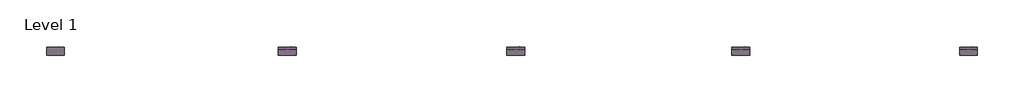
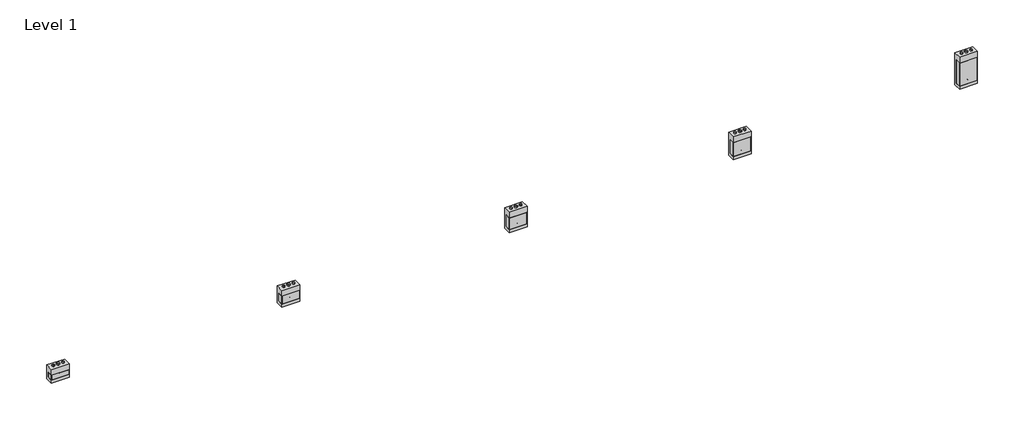
# One storey: 20 proxies.
"""IFC4 building model written with IfcOpenShell, lengths in millimetres."""

import ifcopenshell
import ifcopenshell.guid

model = None  # the IFC model being written
_history = None  # IfcOwnerHistory: only IFC2X3 demands one
_inside = {}  # id of a spatial element -> (the spatial element, [elements in it])
_under = {}  # id of a project, library or spatial element -> (it, [spatial elements below it])
_declared = {}  # id of a project -> (the project, [libraries it declares])
_typed = {}  # id of a type object -> (the type object, [elements of that type])
_made_of = {}  # id of a material, layer set ... -> (it, [elements and type objects made of it])


def new_model(schema):
    """Start an empty IFC model of exactly this schema.

    Asked for "IFC4X3", IfcOpenShell would pick the latest addendum, in which some entities
    have other attributes; the version numbers below select the first issue.
    IFC2X3 requires an IfcOwnerHistory on every rooted entity: one is made here for all.
    """
    global model, _history
    if schema == "IFC4X3":
        model = ifcopenshell.file(schema_version=(4, 3, 0, 0))
    else:
        model = ifcopenshell.file(schema=schema)
    _inside.clear()
    _under.clear()
    _declared.clear()
    _typed.clear()
    _made_of.clear()
    _history = None
    if model.schema == "IFC2X3":
        org = make("IfcOrganization", Name="unknown")
        user = make(
            "IfcPersonAndOrganization",
            ThePerson=make("IfcPerson", FamilyName="unknown"),
            TheOrganization=org,
        )
        app = make(
            "IfcApplication",
            ApplicationDeveloper=org,
            Version="unknown",
            ApplicationFullName="unknown",
            ApplicationIdentifier="unknown",
        )
        _history = make(
            "IfcOwnerHistory",
            OwningUser=user,
            OwningApplication=app,
            ChangeAction="ADDED",
            CreationDate=0,
        )
    return model


def make(cls, **values):
    """One entity of the class cls with the attributes given. An attribute that is None is left unset."""
    return model.create_entity(
        cls, **{name: value for name, value in values.items() if value is not None}
    )


def rooted(cls, **values):
    """An entity with a GlobalId (a new one), such as an element, a storey or a relation."""
    return make(cls, GlobalId=ifcopenshell.guid.new(), OwnerHistory=_history, **values)


def si_unit(unit_type, name, prefix=None):
    """IfcSIUnit, for example si_unit("LENGTHUNIT", "METRE", prefix="MILLI")."""
    return make("IfcSIUnit", UnitType=unit_type, Prefix=prefix, Name=name)


def assignment(units):
    """IfcUnitAssignment: the units of a project."""
    return None if units is None else make("IfcUnitAssignment", Units=units)


def point(xyz):
    """IfcCartesianPoint."""
    return None if xyz is None else make("IfcCartesianPoint", Coordinates=xyz)


def direction(xyz):
    """IfcDirection."""
    return None if xyz is None else make("IfcDirection", DirectionRatios=xyz)


def frame(location, z_axis=None, x_axis=None):
    """IfcAxis2Placement3D, a coordinate frame: its origin and axes. An axis left out is left unset."""
    return make(
        "IfcAxis2Placement3D",
        Location=point(location),
        Axis=direction(z_axis),
        RefDirection=direction(x_axis),
    )


def frame_2d(location, x_axis=None):
    """IfcAxis2Placement2D, a coordinate frame in the plane: its origin and x axis."""
    return make(
        "IfcAxis2Placement2D", Location=point(location), RefDirection=direction(x_axis)
    )


def origin():
    """The frame at (0, 0, 0) with its axes left unset."""
    return frame((0.0, 0.0, 0.0))


def origin_with_axes():
    """The frame at (0, 0, 0) with the z axis (0, 0, 1) and the x axis (1, 0, 0) written out."""
    return frame((0.0, 0.0, 0.0), z_axis=(0.0, 0.0, 1.0), x_axis=(1.0, 0.0, 0.0))


def origin_2d():
    """The frame at (0, 0) in the plane with its x axis left unset."""
    return frame_2d((0.0, 0.0))


def place(relative_to, where):
    """IfcLocalPlacement: puts the frame where relative to a parent placement (None: the world)."""
    return make(
        "IfcLocalPlacement", PlacementRelTo=relative_to, RelativePlacement=where
    )


def context(
    kind, dimensions, precision=None, world=None, true_north=None, identifier=None
):
    """IfcGeometricRepresentationContext, for example the 3D "Model" context."""
    return make(
        "IfcGeometricRepresentationContext",
        ContextIdentifier=identifier,
        ContextType=kind,
        CoordinateSpaceDimension=dimensions,
        Precision=precision,
        WorldCoordinateSystem=world,
        TrueNorth=true_north,
    )


def project(units=None, contexts=None):
    """IfcProject with its units and contexts."""
    return rooted(
        "IfcProject",
        Name="project",
        RepresentationContexts=contexts,
        UnitsInContext=assignment(units),
    )


def spatial(cls, under=None, at=None, **own):
    """A site, building, storey or space (cls), placed at a placement, below another one or the project."""
    s = rooted(cls, ObjectPlacement=at, **own)
    if under is not None:
        _under.setdefault(under.id(), (under, []))[1].append(s)
    return s


def polyline(points):
    """IfcPolyline through the points."""
    return make("IfcPolyline", Points=[point(p) for p in points])


def circle_curve(where, radius):
    """IfcCircle in the frame where."""
    return make("IfcCircle", Position=where, Radius=radius)


def trimmed(basis, trim1, trim2, sense, master):
    """IfcTrimmedCurve: the piece of a basis curve between two trims."""
    return make(
        "IfcTrimmedCurve",
        BasisCurve=basis,
        Trim1=trim1,
        Trim2=trim2,
        SenseAgreement=sense,
        MasterRepresentation=master,
    )


def segment(curve, same_sense, transition):
    """IfcCompositeCurveSegment."""
    return make(
        "IfcCompositeCurveSegment",
        Transition=transition,
        SameSense=same_sense,
        ParentCurve=curve,
    )


def composite_curve(segments, self_intersect=None):
    """IfcCompositeCurve: segments joined end to end."""
    return make("IfcCompositeCurve", Segments=segments, SelfIntersect=self_intersect)


def outline(outer, holes=None, kind="AREA"):
    """IfcArbitraryClosedProfileDef: a profile drawn as a closed curve; with holes, ...WithVoids."""
    if holes is None:
        return make("IfcArbitraryClosedProfileDef", ProfileType=kind, OuterCurve=outer)
    return make(
        "IfcArbitraryProfileDefWithVoids",
        ProfileType=kind,
        OuterCurve=outer,
        InnerCurves=holes,
    )


def extrude(swept, where, along, depth):
    """IfcExtrudedAreaSolid: the profile swept, set in the frame where, extruded along a direction by depth."""
    return make(
        "IfcExtrudedAreaSolid",
        SweptArea=swept,
        Position=where,
        ExtrudedDirection=direction(along),
        Depth=depth,
    )


def shape(context_of_items, identifier, shape_type, items):
    """IfcShapeRepresentation: the items that make up one representation, for example the "Body"."""
    return make(
        "IfcShapeRepresentation",
        ContextOfItems=context_of_items,
        RepresentationIdentifier=identifier,
        RepresentationType=shape_type,
        Items=items,
    )


def source(mapping_origin, context_of_items, identifier, shape_type, items):
    """IfcRepresentationMap: a shape defined once, which mapped items show again and again."""
    return make(
        "IfcRepresentationMap",
        MappingOrigin=mapping_origin,
        MappedRepresentation=shape(context_of_items, identifier, shape_type, items),
    )


def transform(
    local_origin,
    x_axis=None,
    y_axis=None,
    z_axis=None,
    scale=None,
    scale2=None,
    scale3=None,
    uniform=True,
):
    """IfcCartesianTransformationOperator3D, or its non-uniform kind. x_axis, y_axis, z_axis: its Axis1, 2, 3."""
    if uniform:
        return make(
            "IfcCartesianTransformationOperator3D",
            Axis1=direction(x_axis),
            Axis2=direction(y_axis),
            LocalOrigin=point(local_origin),
            Scale=scale,
            Axis3=direction(z_axis),
        )
    return make(
        "IfcCartesianTransformationOperator3DnonUniform",
        Axis1=direction(x_axis),
        Axis2=direction(y_axis),
        LocalOrigin=point(local_origin),
        Scale=scale,
        Axis3=direction(z_axis),
        Scale2=scale2,
        Scale3=scale3,
    )


def mapped(mapping_source, mapping_target):
    """IfcMappedItem: shows the shape of a source again, moved by a transform."""
    return make(
        "IfcMappedItem", MappingSource=mapping_source, MappingTarget=mapping_target
    )


def made_of(thing, what):
    """Note that an element or type object is made of a material, layer set ...; save() writes the relation."""
    if what is not None:
        _made_of.setdefault(what.id(), (what, []))[1].append(thing)
    return thing


def element(
    cls,
    number,
    at=None,
    inside=None,
    cuts=None,
    type_object=None,
    material=None,
    context=None,
    identifier="Body",
    shape_type=None,
    held_by="IfcProductDefinitionShape",
    body=None,
    shapes=None,
    **own,
):
    """One element of the class cls, such as IfcWall. Its Tag is "e" and its number.

    at: its placement. inside: the storey or other place that contains it. cuts: it is an
    opening in that element (IfcRelVoidsElement). A single representation is given by context,
    identifier, shape_type and body (its items); several are given by shapes. held_by: the class
    of the entity that holds the representations. save() writes the other relations.
    """
    e = rooted(cls, Tag="e%d" % number, ObjectPlacement=at, **own)
    if body is not None:
        shapes = [shape(context, identifier, shape_type, body)]
    if shapes is not None:
        e.Representation = make(held_by, Representations=shapes)
    if inside is not None:
        _inside.setdefault(inside.id(), (inside, []))[1].append(e)
    if cuts is not None:
        rooted(
            "IfcRelVoidsElement", RelatingBuildingElement=cuts, RelatedOpeningElement=e
        )
    if type_object is not None:
        _typed.setdefault(type_object.id(), (type_object, []))[1].append(e)
    return made_of(e, material)


def aggregate(whole, parts):
    """IfcRelAggregates: a whole, such as a stair, and the parts it consists of."""
    return rooted("IfcRelAggregates", RelatingObject=whole, RelatedObjects=parts)


def save(model, path):
    """Write the relations noted so far, then the file.

    IfcRelAggregates (storeys below a building ...), IfcRelContainedInSpatialStructure (elements
    in a storey), IfcRelDefinesByType, IfcRelAssociatesMaterial and IfcRelDeclares: one each for
    every whole, place, type object, material and project.
    """
    for whole, parts in _under.values():
        aggregate(whole, parts)
    for where, things in _inside.values():
        rooted(
            "IfcRelContainedInSpatialStructure",
            RelatedElements=things,
            RelatingStructure=where,
        )
    for kind, things in _typed.values():
        rooted("IfcRelDefinesByType", RelatedObjects=things, RelatingType=kind)
    for what, things in _made_of.values():
        rooted("IfcRelAssociatesMaterial", RelatedObjects=things, RelatingMaterial=what)
    for by, libraries in _declared.values():
        rooted("IfcRelDeclares", RelatingContext=by, RelatedDefinitions=libraries)
    model.write(path)


def as_specified_68eb8ec0(model_context):
    return source(origin(), model_context, "Body", "SweptSolid", [
        extrude(outline(composite_curve([segment(trimmed(circle_curve(frame_2d((237.2125, -499.275)), 10.5), [point((237.2125, -509.775))], [point((237.2125, -488.775))], False, "CARTESIAN"), True, "CONTINUOUS"), segment(trimmed(circle_curve(frame_2d((237.2125, -499.275)), 10.5), [point((237.2125, -488.775))], [point((237.2125, -509.775))], False, "CARTESIAN"), True, "CONTINUOUS")], self_intersect=False)), frame((0.0, 0.0, -562.225), z_axis=(0.0, 0.0, 1.0), x_axis=(1.0, 0.0, 0.0)), (0.0, 0.0, 1.0), 32.0),
        extrude(outline(polyline([(-551.65625, -342.9), (-557.2125, -342.9), (-557.2125, 165.1), (-551.65625, 165.1), (-551.65625, -342.9)])), frame((0.0, 0.0, -39.6875), z_axis=(0.0, 0.0, 1.0), x_axis=(1.0, 0.0, 0.0)), (0.0, 0.0, 1.0), 14.2875),
        extrude(outline(polyline([(553.24375, 165.1), (557.2125, 165.1), (557.2125, -342.9), (553.24375, -342.9), (553.24375, 165.1)])), frame((0.0, 0.0, -39.6875), z_axis=(0.0, 0.0, 1.0), x_axis=(1.0, 0.0, 0.0)), (0.0, 0.0, 1.0), 14.2875),
        extrude(outline(polyline([(557.2125, 165.1), (557.2125, -342.9), (-557.2125, -342.9), (-557.2125, 165.1), (557.2125, 165.1)])), frame((0.0, 0.0, -373.0625), z_axis=(0.0, 0.0, 1.0), x_axis=(1.0, 0.0, 0.0)), (0.0, 0.0, 1.0), 347.6625),
        extrude(outline(polyline([(549.275, -25.4), (549.275, -530.225), (-549.275, -530.225), (-549.275, -25.4), (-342.9, -25.4), (-342.9, -373.0625), (165.1, -373.0625), (165.1, -25.4), (549.275, -25.4)])), frame((-557.2125, 0.0, 0.0), z_axis=(1.0, 0.0, 0.0), x_axis=(0.0, 1.0, 0.0)), (0.0, 0.0, 1.0), 1114.425),
    ])


def as_specified_2bb45d24(model_context):
    return source(origin(), model_context, "Body", "SweptSolid", [
        extrude(outline(composite_curve([segment(trimmed(circle_curve(frame_2d((237.2125, -626.275)), 10.5), [point((237.2125, -636.775))], [point((237.2125, -615.775))], False, "CARTESIAN"), True, "CONTINUOUS"), segment(trimmed(circle_curve(frame_2d((237.2125, -626.275)), 10.5), [point((237.2125, -615.775))], [point((237.2125, -636.775))], False, "CARTESIAN"), True, "CONTINUOUS")], self_intersect=False)), frame((0.0, 0.0, -562.225), z_axis=(0.0, 0.0, 1.0), x_axis=(1.0, 0.0, 0.0)), (0.0, 0.0, 1.0), 32.0),
        extrude(outline(polyline([(-551.65625, -469.9), (-557.2125, -469.9), (-557.2125, 292.1), (-551.65625, 292.1), (-551.65625, -469.9)])), frame((0.0, 0.0, -39.6875), z_axis=(0.0, 0.0, 1.0), x_axis=(1.0, 0.0, 0.0)), (0.0, 0.0, 1.0), 14.2875),
        extrude(outline(polyline([(553.24375, 292.1), (557.2125, 292.1), (557.2125, -469.9), (553.24375, -469.9), (553.24375, 292.1)])), frame((0.0, 0.0, -39.6875), z_axis=(0.0, 0.0, 1.0), x_axis=(1.0, 0.0, 0.0)), (0.0, 0.0, 1.0), 14.2875),
        extrude(outline(polyline([(557.2125, 292.1), (557.2125, -469.9), (-557.2125, -469.9), (-557.2125, 292.1), (557.2125, 292.1)])), frame((0.0, 0.0, -373.0625), z_axis=(0.0, 0.0, 1.0), x_axis=(1.0, 0.0, 0.0)), (0.0, 0.0, 1.0), 347.6625),
        extrude(outline(polyline([(676.275, -25.4), (676.275, -530.225), (-676.275, -530.225), (-676.275, -25.4), (-469.9, -25.4), (-469.9, -373.0625), (292.1, -373.0625), (292.1, -25.4), (676.275, -25.4)])), frame((-557.2125, 0.0, 0.0), z_axis=(1.0, 0.0, 0.0), x_axis=(0.0, 1.0, 0.0)), (0.0, 0.0, 1.0), 1114.425),
    ])


def as_specified_635137a2(model_context):
    return source(origin(), model_context, "Body", "SweptSolid", [
        extrude(outline(composite_curve([segment(trimmed(circle_curve(frame_2d((237.2125, -702.475)), 10.5), [point((237.2125, -712.975))], [point((237.2125, -691.975))], False, "CARTESIAN"), True, "CONTINUOUS"), segment(trimmed(circle_curve(frame_2d((237.2125, -702.475)), 10.5), [point((237.2125, -691.975))], [point((237.2125, -712.975))], False, "CARTESIAN"), True, "CONTINUOUS")], self_intersect=False)), frame((0.0, 0.0, -562.225), z_axis=(0.0, 0.0, 1.0), x_axis=(1.0, 0.0, 0.0)), (0.0, 0.0, 1.0), 32.0),
        extrude(outline(polyline([(-551.65625, -546.1), (-557.2125, -546.1), (-557.2125, 368.3), (-551.65625, 368.3), (-551.65625, -546.1)])), frame((0.0, 0.0, -39.6875), z_axis=(0.0, 0.0, 1.0), x_axis=(1.0, 0.0, 0.0)), (0.0, 0.0, 1.0), 14.2875),
        extrude(outline(polyline([(553.24375, 368.3), (557.2125, 368.3), (557.2125, -546.1), (553.24375, -546.1), (553.24375, 368.3)])), frame((0.0, 0.0, -39.6875), z_axis=(0.0, 0.0, 1.0), x_axis=(1.0, 0.0, 0.0)), (0.0, 0.0, 1.0), 14.2875),
        extrude(outline(polyline([(557.2125, 368.3), (557.2125, -546.1), (-557.2125, -546.1), (-557.2125, 368.3), (557.2125, 368.3)])), frame((0.0, 0.0, -373.0625), z_axis=(0.0, 0.0, 1.0), x_axis=(1.0, 0.0, 0.0)), (0.0, 0.0, 1.0), 347.6625),
        extrude(outline(polyline([(752.475, -25.4), (752.475, -530.225), (-752.475, -530.225), (-752.475, -25.4), (-546.1, -25.4), (-546.1, -373.0625), (368.3, -373.0625), (368.3, -25.4), (752.475, -25.4)])), frame((-557.2125, 0.0, 0.0), z_axis=(1.0, 0.0, 0.0), x_axis=(0.0, 1.0, 0.0)), (0.0, 0.0, 1.0), 1114.425),
    ])


def as_specified_15f69afd(model_context):
    return source(origin(), model_context, "Body", "SweptSolid", [
        extrude(outline(composite_curve([segment(trimmed(circle_curve(frame_2d((237.2125, -1007.275)), 10.5), [point((237.2125, -1017.775))], [point((237.2125, -996.775))], False, "CARTESIAN"), True, "CONTINUOUS"), segment(trimmed(circle_curve(frame_2d((237.2125, -1007.275)), 10.5), [point((237.2125, -996.775))], [point((237.2125, -1017.775))], False, "CARTESIAN"), True, "CONTINUOUS")], self_intersect=False)), frame((0.0, 0.0, -562.225), z_axis=(0.0, 0.0, 1.0), x_axis=(1.0, 0.0, 0.0)), (0.0, 0.0, 1.0), 32.0),
        extrude(outline(polyline([(-551.65625, -850.9), (-557.2125, -850.9), (-557.2125, 673.1), (-551.65625, 673.1), (-551.65625, -850.9)])), frame((0.0, 0.0, -39.6875), z_axis=(0.0, 0.0, 1.0), x_axis=(1.0, 0.0, 0.0)), (0.0, 0.0, 1.0), 14.2875),
        extrude(outline(polyline([(553.24375, 673.1), (557.2125, 673.1), (557.2125, -850.9), (553.24375, -850.9), (553.24375, 673.1)])), frame((0.0, 0.0, -39.6875), z_axis=(0.0, 0.0, 1.0), x_axis=(1.0, 0.0, 0.0)), (0.0, 0.0, 1.0), 14.2875),
        extrude(outline(polyline([(557.2125, 673.1), (557.2125, -850.9), (-557.2125, -850.9), (-557.2125, 673.1), (557.2125, 673.1)])), frame((0.0, 0.0, -373.0625), z_axis=(0.0, 0.0, 1.0), x_axis=(1.0, 0.0, 0.0)), (0.0, 0.0, 1.0), 347.6625),
        extrude(outline(polyline([(1057.275, -25.4), (1057.275, -530.225), (-1057.275, -530.225), (-1057.275, -25.4), (-850.9, -25.4), (-850.9, -373.0625), (673.1, -373.0625), (673.1, -25.4), (1057.275, -25.4)])), frame((-557.2125, 0.0, 0.0), z_axis=(1.0, 0.0, 0.0), x_axis=(0.0, 1.0, 0.0)), (0.0, 0.0, 1.0), 1114.425),
    ])


def as_specified_41e3f3b3(model_context):
    return source(origin(), model_context, "Body", "SweptSolid", [
        extrude(outline(composite_curve([segment(trimmed(circle_curve(frame_2d((237.2125, -397.675)), 10.5), [point((237.2125, -408.175))], [point((237.2125, -387.175))], False, "CARTESIAN"), True, "CONTINUOUS"), segment(trimmed(circle_curve(frame_2d((237.2125, -397.675)), 10.5), [point((237.2125, -387.175))], [point((237.2125, -408.175))], False, "CARTESIAN"), True, "CONTINUOUS")], self_intersect=False)), frame((0.0, 0.0, -562.225), z_axis=(0.0, 0.0, 1.0), x_axis=(1.0, 0.0, 0.0)), (0.0, 0.0, 1.0), 32.0),
        extrude(outline(polyline([(-551.65625, -241.3), (-557.2125, -241.3), (-557.2125, 63.5), (-551.65625, 63.5), (-551.65625, -241.3)])), frame((0.0, 0.0, -39.6875), z_axis=(0.0, 0.0, 1.0), x_axis=(1.0, 0.0, 0.0)), (0.0, 0.0, 1.0), 14.2875),
        extrude(outline(polyline([(553.24375, 63.5), (557.2125, 63.5), (557.2125, -241.3), (553.24375, -241.3), (553.24375, 63.5)])), frame((0.0, 0.0, -39.6875), z_axis=(0.0, 0.0, 1.0), x_axis=(1.0, 0.0, 0.0)), (0.0, 0.0, 1.0), 14.2875),
        extrude(outline(polyline([(557.2125, 63.5), (557.2125, -241.3), (-557.2125, -241.3), (-557.2125, 63.5), (557.2125, 63.5)])), frame((0.0, 0.0, -373.0625), z_axis=(0.0, 0.0, 1.0), x_axis=(1.0, 0.0, 0.0)), (0.0, 0.0, 1.0), 347.6625),
        extrude(outline(polyline([(447.675, -25.4), (447.675, -530.225), (-447.675, -530.225), (-447.675, -25.4), (-241.3, -25.4), (-241.3, -373.0625), (63.5, -373.0625), (63.5, -25.4), (447.675, -25.4)])), frame((-557.2125, 0.0, 0.0), z_axis=(1.0, 0.0, 0.0), x_axis=(0.0, 1.0, 0.0)), (0.0, 0.0, 1.0), 1114.425),
    ])


def proxy_6335ccae(model_context):
    return source(origin(), model_context, "Body", "SweptSolid", [
        extrude(outline(composite_curve([segment(trimmed(circle_curve(origin_2d(), 74.6125), [point((-74.6125, 0.0))], [point((74.6125, 0.0))], False, "CARTESIAN"), True, "CONTINUOUS"), segment(trimmed(circle_curve(origin_2d(), 74.6125), [point((74.6125, 0.0))], [point((-74.6125, 0.0))], False, "CARTESIAN"), True, "CONTINUOUS")], self_intersect=False), holes=[composite_curve([segment(trimmed(circle_curve(origin_2d(), 73.025), [point((-73.025, 0.0))], [point((73.025, 0.0))], True, "CARTESIAN"), True, "CONTINUOUS"), segment(trimmed(circle_curve(origin_2d(), 73.025), [point((73.025, 0.0))], [point((-73.025, 0.0))], True, "CARTESIAN"), True, "CONTINUOUS")], self_intersect=False)]), origin_with_axes(), (0.0, 0.0, 1.0), 76.2),
    ])


def proxy_fb1aceb7(model_context):
    return source(origin(), model_context, "Body", "SweptSolid", [
        extrude(outline(composite_curve([segment(trimmed(circle_curve(origin_2d(), 98.425), [point((-98.425, 0.0))], [point((98.425, 0.0))], False, "CARTESIAN"), True, "CONTINUOUS"), segment(trimmed(circle_curve(origin_2d(), 98.425), [point((98.425, 0.0))], [point((-98.425, 0.0))], False, "CARTESIAN"), True, "CONTINUOUS")], self_intersect=False), holes=[composite_curve([segment(trimmed(circle_curve(origin_2d(), 96.8375), [point((-96.8375, 0.0))], [point((96.8375, 0.0))], True, "CARTESIAN"), True, "CONTINUOUS"), segment(trimmed(circle_curve(origin_2d(), 96.8375), [point((96.8375, 0.0))], [point((-96.8375, 0.0))], True, "CARTESIAN"), True, "CONTINUOUS")], self_intersect=False)]), origin_with_axes(), (0.0, 0.0, 1.0), 76.2),
    ])


model = new_model("IFC4")

# Units and contexts
model_context = context("Model", 3, world=origin())
ifc_project = project(units=[si_unit("LENGTHUNIT", "METRE", prefix="MILLI")], contexts=[model_context])

# Site, building, storey
site = spatial("IfcSite", under=ifc_project)
building = spatial("IfcBuilding", under=site)
storey = spatial("IfcBuildingStorey", under=building, Name="Level 1", Elevation=0.0)

# Proxies
placement = place(None, origin())
as_specified_shape = as_specified_68eb8ec0(model_context)
element("IfcBuildingElementProxy", 1, Name="As Specified", ObjectType="As Specified", at=placement, inside=storey, context=model_context, shape_type="MappedRepresentation", body=[
    mapped(as_specified_shape, transform((565.6597121, 1616.7712992, 1144.6311604), x_axis=(1.0, 0.0, 0.0), y_axis=(0.0, 0.0, 1.0), z_axis=(0.0, -1.0, 0.0))),
])
as_specified_2_shape = as_specified_2bb45d24(model_context)
element("IfcBuildingElementProxy", 2, Name="As Specified", ObjectType="As Specified", at=placement, inside=storey, context=model_context, shape_type="MappedRepresentation", body=[
    mapped(as_specified_2_shape, transform((14791.2574402, 1616.7712992, 1219.2), x_axis=(1.0, 0.0, 0.0), y_axis=(0.0, 0.0, 1.0), z_axis=(0.0, -1.0, 0.0))),
])
as_specified_3_shape = as_specified_635137a2(model_context)
element("IfcBuildingElementProxy", 3, Name="As Specified", ObjectType="As Specified", at=placement, inside=storey, context=model_context, shape_type="MappedRepresentation", body=[
    mapped(as_specified_3_shape, transform((28812.0574402, 1616.7712992, 1219.2), x_axis=(1.0, 0.0, 0.0), y_axis=(0.0, 0.0, 1.0), z_axis=(0.0, -1.0, 0.0))),
])
as_specified_4_shape = as_specified_15f69afd(model_context)
element("IfcBuildingElementProxy", 4, Name="As Specified", ObjectType="As Specified", at=placement, inside=storey, context=model_context, shape_type="MappedRepresentation", body=[
    mapped(as_specified_4_shape, transform((42985.2574402, 1616.7712992, 1219.2), x_axis=(1.0, 0.0, 0.0), y_axis=(0.0, 0.0, 1.0), z_axis=(0.0, -1.0, 0.0))),
])
as_specified_5_shape = as_specified_41e3f3b3(model_context)
element("IfcBuildingElementProxy", 5, Name="As Specified", ObjectType="As Specified", at=placement, inside=storey, context=model_context, shape_type="MappedRepresentation", body=[
    mapped(as_specified_5_shape, transform((-13859.9425598, 1616.7712992, 1066.8), x_axis=(1.0, 0.0, 0.0), y_axis=(0.0, 0.0, 1.0), z_axis=(0.0, -1.0, 0.0))),
])
proxy_shape = proxy_6335ccae(model_context)
element("IfcBuildingElementProxy", 6, Name="Duct Dia : 5 7/8\" Dia", ObjectType="Duct Dia : 5 7/8\" Dia", at=placement, inside=storey, context=model_context, shape_type="MappedRepresentation", body=[
    mapped(proxy_shape, transform((-13555.1425598, 1894.5837992, 1514.475), x_axis=(0.0, -1.0, 0.0), y_axis=(1.0, 0.0, 0.0), z_axis=(0.0, 0.0, 1.0))),
])
element("IfcBuildingElementProxy", 7, Name="Duct Dia : 5 7/8\" Dia", ObjectType="Duct Dia : 5 7/8\" Dia", at=placement, inside=storey, context=model_context, shape_type="MappedRepresentation", body=[
    mapped(proxy_shape, transform((-14164.7425598, 1894.5837992, 1514.475), x_axis=(0.0, -1.0, 0.0), y_axis=(1.0, 0.0, 0.0), z_axis=(0.0, 0.0, 1.0))),
])
element("IfcBuildingElementProxy", 8, Name="Duct Dia : 5 7/8\" Dia", ObjectType="Duct Dia : 5 7/8\" Dia", at=placement, inside=storey, context=model_context, shape_type="MappedRepresentation", body=[
    mapped(proxy_shape, transform((870.4597121, 1894.5837992, 1693.9061604), x_axis=(0.0, -1.0, 0.0), y_axis=(1.0, 0.0, 0.0), z_axis=(0.0, 0.0, 1.0))),
])
element("IfcBuildingElementProxy", 9, Name="Duct Dia : 5 7/8\" Dia", ObjectType="Duct Dia : 5 7/8\" Dia", at=placement, inside=storey, context=model_context, shape_type="MappedRepresentation", body=[
    mapped(proxy_shape, transform((260.8597121, 1894.5837992, 1693.9061604), x_axis=(0.0, -1.0, 0.0), y_axis=(1.0, 0.0, 0.0), z_axis=(0.0, 0.0, 1.0))),
])
element("IfcBuildingElementProxy", 10, Name="Duct Dia : 5 7/8\" Dia", ObjectType="Duct Dia : 5 7/8\" Dia", at=placement, inside=storey, context=model_context, shape_type="MappedRepresentation", body=[
    mapped(proxy_shape, transform((15096.0574402, 1894.5837992, 1895.475), x_axis=(0.0, -1.0, 0.0), y_axis=(1.0, 0.0, 0.0), z_axis=(0.0, 0.0, 1.0))),
])
element("IfcBuildingElementProxy", 11, Name="Duct Dia : 5 7/8\" Dia", ObjectType="Duct Dia : 5 7/8\" Dia", at=placement, inside=storey, context=model_context, shape_type="MappedRepresentation", body=[
    mapped(proxy_shape, transform((14486.4574402, 1894.5837992, 1895.475), x_axis=(0.0, -1.0, 0.0), y_axis=(1.0, 0.0, 0.0), z_axis=(0.0, 0.0, 1.0))),
])
element("IfcBuildingElementProxy", 12, Name="Duct Dia : 5 7/8\" Dia", ObjectType="Duct Dia : 5 7/8\" Dia", at=placement, inside=storey, context=model_context, shape_type="MappedRepresentation", body=[
    mapped(proxy_shape, transform((29116.8574402, 1894.5837992, 1971.675), x_axis=(0.0, -1.0, 0.0), y_axis=(1.0, 0.0, 0.0), z_axis=(0.0, 0.0, 1.0))),
])
element("IfcBuildingElementProxy", 13, Name="Duct Dia : 5 7/8\" Dia", ObjectType="Duct Dia : 5 7/8\" Dia", at=placement, inside=storey, context=model_context, shape_type="MappedRepresentation", body=[
    mapped(proxy_shape, transform((28507.2574402, 1894.5837992, 1971.675), x_axis=(0.0, -1.0, 0.0), y_axis=(1.0, 0.0, 0.0), z_axis=(0.0, 0.0, 1.0))),
])
element("IfcBuildingElementProxy", 14, Name="Duct Dia : 5 7/8\" Dia", ObjectType="Duct Dia : 5 7/8\" Dia", at=placement, inside=storey, context=model_context, shape_type="MappedRepresentation", body=[
    mapped(proxy_shape, transform((43290.0574402, 1894.5837992, 2276.475), x_axis=(0.0, -1.0, 0.0), y_axis=(1.0, 0.0, 0.0), z_axis=(0.0, 0.0, 1.0))),
])
element("IfcBuildingElementProxy", 15, Name="Duct Dia : 5 7/8\" Dia", ObjectType="Duct Dia : 5 7/8\" Dia", at=placement, inside=storey, context=model_context, shape_type="MappedRepresentation", body=[
    mapped(proxy_shape, transform((42680.4574402, 1894.5837992, 2276.475), x_axis=(0.0, -1.0, 0.0), y_axis=(1.0, 0.0, 0.0), z_axis=(0.0, 0.0, 1.0))),
])
proxy_2_shape = proxy_fb1aceb7(model_context)
element("IfcBuildingElementProxy", 16, Name="Duct Dia : 7 3/4\" Dia", ObjectType="Duct Dia : 7 3/4\" Dia", at=placement, inside=storey, context=model_context, shape_type="MappedRepresentation", body=[
    mapped(proxy_2_shape, transform((-13859.9425598, 1894.5837992, 1514.475), x_axis=(0.0, -1.0, 0.0), y_axis=(1.0, 0.0, 0.0), z_axis=(0.0, 0.0, 1.0))),
])
element("IfcBuildingElementProxy", 17, Name="Duct Dia : 7 3/4\" Dia", ObjectType="Duct Dia : 7 3/4\" Dia", at=placement, inside=storey, context=model_context, shape_type="MappedRepresentation", body=[
    mapped(proxy_2_shape, transform((565.6597121, 1894.5837992, 1693.9061604), x_axis=(0.0, -1.0, 0.0), y_axis=(1.0, 0.0, 0.0), z_axis=(0.0, 0.0, 1.0))),
])
element("IfcBuildingElementProxy", 18, Name="Duct Dia : 7 3/4\" Dia", ObjectType="Duct Dia : 7 3/4\" Dia", at=placement, inside=storey, context=model_context, shape_type="MappedRepresentation", body=[
    mapped(proxy_2_shape, transform((14791.2574402, 1894.5837992, 1895.475), x_axis=(0.0, -1.0, 0.0), y_axis=(1.0, 0.0, 0.0), z_axis=(0.0, 0.0, 1.0))),
])
element("IfcBuildingElementProxy", 19, Name="Duct Dia : 7 3/4\" Dia", ObjectType="Duct Dia : 7 3/4\" Dia", at=placement, inside=storey, context=model_context, shape_type="MappedRepresentation", body=[
    mapped(proxy_2_shape, transform((28812.0574402, 1894.5837992, 1971.675), x_axis=(0.0, -1.0, 0.0), y_axis=(1.0, 0.0, 0.0), z_axis=(0.0, 0.0, 1.0))),
])
element("IfcBuildingElementProxy", 20, Name="Duct Dia : 7 3/4\" Dia", ObjectType="Duct Dia : 7 3/4\" Dia", at=placement, inside=storey, context=model_context, shape_type="MappedRepresentation", body=[
    mapped(proxy_2_shape, transform((42985.2574402, 1894.5837992, 2276.475), x_axis=(0.0, -1.0, 0.0), y_axis=(1.0, 0.0, 0.0), z_axis=(0.0, 0.0, 1.0))),
])

save(model, "model.ifc")
